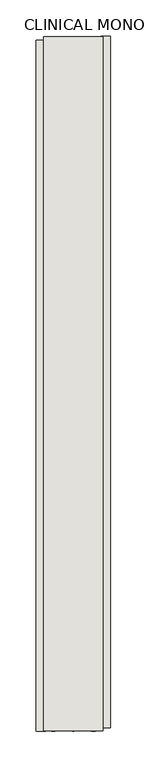
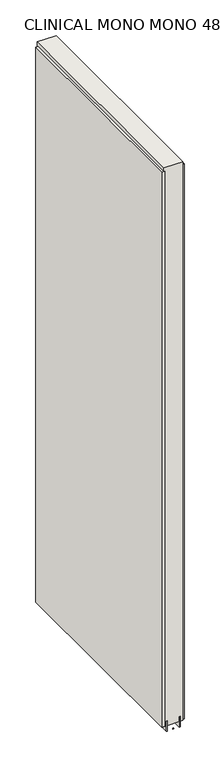
"""IFC4 building model written with IfcOpenShell, lengths in millimetres: wall geometry, CLINICAL MONO MONO 480748 : CLINICAL MONO MONO 480748."""

import ifcopenshell
import ifcopenshell.guid

model = None  # the IFC model being written
_history = None  # IfcOwnerHistory: only IFC2X3 demands one
_inside = {}  # id of a spatial element -> (the spatial element, [elements in it])
_under = {}  # id of a project, library or spatial element -> (it, [spatial elements below it])
_declared = {}  # id of a project -> (the project, [libraries it declares])
_typed = {}  # id of a type object -> (the type object, [elements of that type])
_made_of = {}  # id of a material, layer set ... -> (it, [elements and type objects made of it])


def new_model(schema):
    """Start an empty IFC model of exactly this schema.

    Asked for "IFC4X3", IfcOpenShell would pick the latest addendum, in which some entities
    have other attributes; the version numbers below select the first issue.
    IFC2X3 requires an IfcOwnerHistory on every rooted entity: one is made here for all.
    """
    global model, _history
    if schema == "IFC4X3":
        model = ifcopenshell.file(schema_version=(4, 3, 0, 0))
    else:
        model = ifcopenshell.file(schema=schema)
    _inside.clear()
    _under.clear()
    _declared.clear()
    _typed.clear()
    _made_of.clear()
    _history = None
    if model.schema == "IFC2X3":
        org = make("IfcOrganization", Name="unknown")
        user = make(
            "IfcPersonAndOrganization",
            ThePerson=make("IfcPerson", FamilyName="unknown"),
            TheOrganization=org,
        )
        app = make(
            "IfcApplication",
            ApplicationDeveloper=org,
            Version="unknown",
            ApplicationFullName="unknown",
            ApplicationIdentifier="unknown",
        )
        _history = make(
            "IfcOwnerHistory",
            OwningUser=user,
            OwningApplication=app,
            ChangeAction="ADDED",
            CreationDate=0,
        )
    return model


def make(cls, **values):
    """One entity of the class cls with the attributes given. An attribute that is None is left unset."""
    return model.create_entity(
        cls, **{name: value for name, value in values.items() if value is not None}
    )


def rooted(cls, **values):
    """An entity with a GlobalId (a new one), such as an element, a storey or a relation."""
    return make(cls, GlobalId=ifcopenshell.guid.new(), OwnerHistory=_history, **values)


def si_unit(unit_type, name, prefix=None):
    """IfcSIUnit, for example si_unit("LENGTHUNIT", "METRE", prefix="MILLI")."""
    return make("IfcSIUnit", UnitType=unit_type, Prefix=prefix, Name=name)


def assignment(units):
    """IfcUnitAssignment: the units of a project."""
    return None if units is None else make("IfcUnitAssignment", Units=units)


def point(xyz):
    """IfcCartesianPoint."""
    return None if xyz is None else make("IfcCartesianPoint", Coordinates=xyz)


def direction(xyz):
    """IfcDirection."""
    return None if xyz is None else make("IfcDirection", DirectionRatios=xyz)


def frame(location, z_axis=None, x_axis=None):
    """IfcAxis2Placement3D, a coordinate frame: its origin and axes. An axis left out is left unset."""
    return make(
        "IfcAxis2Placement3D",
        Location=point(location),
        Axis=direction(z_axis),
        RefDirection=direction(x_axis),
    )


def origin():
    """The frame at (0, 0, 0) with its axes left unset."""
    return frame((0.0, 0.0, 0.0))


def place(relative_to, where):
    """IfcLocalPlacement: puts the frame where relative to a parent placement (None: the world)."""
    return make(
        "IfcLocalPlacement", PlacementRelTo=relative_to, RelativePlacement=where
    )


def context(
    kind, dimensions, precision=None, world=None, true_north=None, identifier=None
):
    """IfcGeometricRepresentationContext, for example the 3D "Model" context."""
    return make(
        "IfcGeometricRepresentationContext",
        ContextIdentifier=identifier,
        ContextType=kind,
        CoordinateSpaceDimension=dimensions,
        Precision=precision,
        WorldCoordinateSystem=world,
        TrueNorth=true_north,
    )


def project(units=None, contexts=None):
    """IfcProject with its units and contexts."""
    return rooted(
        "IfcProject",
        Name="project",
        RepresentationContexts=contexts,
        UnitsInContext=assignment(units),
    )


def spatial(cls, under=None, at=None, **own):
    """A site, building, storey or space (cls), placed at a placement, below another one or the project."""
    s = rooted(cls, ObjectPlacement=at, **own)
    if under is not None:
        _under.setdefault(under.id(), (under, []))[1].append(s)
    return s


def polyline(points):
    """IfcPolyline through the points."""
    return make("IfcPolyline", Points=[point(p) for p in points])


def outline(outer, holes=None, kind="AREA"):
    """IfcArbitraryClosedProfileDef: a profile drawn as a closed curve; with holes, ...WithVoids."""
    if holes is None:
        return make("IfcArbitraryClosedProfileDef", ProfileType=kind, OuterCurve=outer)
    return make(
        "IfcArbitraryProfileDefWithVoids",
        ProfileType=kind,
        OuterCurve=outer,
        InnerCurves=holes,
    )


def extrude(swept, where, along, depth):
    """IfcExtrudedAreaSolid: the profile swept, set in the frame where, extruded along a direction by depth."""
    return make(
        "IfcExtrudedAreaSolid",
        SweptArea=swept,
        Position=where,
        ExtrudedDirection=direction(along),
        Depth=depth,
    )


def shape(context_of_items, identifier, shape_type, items):
    """IfcShapeRepresentation: the items that make up one representation, for example the "Body"."""
    return make(
        "IfcShapeRepresentation",
        ContextOfItems=context_of_items,
        RepresentationIdentifier=identifier,
        RepresentationType=shape_type,
        Items=items,
    )


def source(mapping_origin, context_of_items, identifier, shape_type, items):
    """IfcRepresentationMap: a shape defined once, which mapped items show again and again."""
    return make(
        "IfcRepresentationMap",
        MappingOrigin=mapping_origin,
        MappedRepresentation=shape(context_of_items, identifier, shape_type, items),
    )


def transform(
    local_origin,
    x_axis=None,
    y_axis=None,
    z_axis=None,
    scale=None,
    scale2=None,
    scale3=None,
    uniform=True,
):
    """IfcCartesianTransformationOperator3D, or its non-uniform kind. x_axis, y_axis, z_axis: its Axis1, 2, 3."""
    if uniform:
        return make(
            "IfcCartesianTransformationOperator3D",
            Axis1=direction(x_axis),
            Axis2=direction(y_axis),
            LocalOrigin=point(local_origin),
            Scale=scale,
            Axis3=direction(z_axis),
        )
    return make(
        "IfcCartesianTransformationOperator3DnonUniform",
        Axis1=direction(x_axis),
        Axis2=direction(y_axis),
        LocalOrigin=point(local_origin),
        Scale=scale,
        Axis3=direction(z_axis),
        Scale2=scale2,
        Scale3=scale3,
    )


def mapped(mapping_source, mapping_target):
    """IfcMappedItem: shows the shape of a source again, moved by a transform."""
    return make(
        "IfcMappedItem", MappingSource=mapping_source, MappingTarget=mapping_target
    )


def made_of(thing, what):
    """Note that an element or type object is made of a material, layer set ...; save() writes the relation."""
    if what is not None:
        _made_of.setdefault(what.id(), (what, []))[1].append(thing)
    return thing


def element(
    cls,
    number,
    at=None,
    inside=None,
    cuts=None,
    type_object=None,
    material=None,
    context=None,
    identifier="Body",
    shape_type=None,
    held_by="IfcProductDefinitionShape",
    body=None,
    shapes=None,
    **own,
):
    """One element of the class cls, such as IfcWall. Its Tag is "e" and its number.

    at: its placement. inside: the storey or other place that contains it. cuts: it is an
    opening in that element (IfcRelVoidsElement). A single representation is given by context,
    identifier, shape_type and body (its items); several are given by shapes. held_by: the class
    of the entity that holds the representations. save() writes the other relations.
    """
    e = rooted(cls, Tag="e%d" % number, ObjectPlacement=at, **own)
    if body is not None:
        shapes = [shape(context, identifier, shape_type, body)]
    if shapes is not None:
        e.Representation = make(held_by, Representations=shapes)
    if inside is not None:
        _inside.setdefault(inside.id(), (inside, []))[1].append(e)
    if cuts is not None:
        rooted(
            "IfcRelVoidsElement", RelatingBuildingElement=cuts, RelatedOpeningElement=e
        )
    if type_object is not None:
        _typed.setdefault(type_object.id(), (type_object, []))[1].append(e)
    return made_of(e, material)


def aggregate(whole, parts):
    """IfcRelAggregates: a whole, such as a stair, and the parts it consists of."""
    return rooted("IfcRelAggregates", RelatingObject=whole, RelatedObjects=parts)


def save(model, path):
    """Write the relations noted so far, then the file.

    IfcRelAggregates (storeys below a building ...), IfcRelContainedInSpatialStructure (elements
    in a storey), IfcRelDefinesByType, IfcRelAssociatesMaterial and IfcRelDeclares: one each for
    every whole, place, type object, material and project.
    """
    for whole, parts in _under.values():
        aggregate(whole, parts)
    for where, things in _inside.values():
        rooted(
            "IfcRelContainedInSpatialStructure",
            RelatedElements=things,
            RelatingStructure=where,
        )
    for kind, things in _typed.values():
        rooted("IfcRelDefinesByType", RelatedObjects=things, RelatingType=kind)
    for what, things in _made_of.values():
        rooted("IfcRelAssociatesMaterial", RelatedObjects=things, RelatingMaterial=what)
    for by, libraries in _declared.values():
        rooted("IfcRelDeclares", RelatingContext=by, RelatedDefinitions=libraries)
    model.write(path)


def clinical_mono_mono_480748_clinical_mono_mono_480748_3ee7a50d(model_context):
    return source(origin(), model_context, "Body", "SweptSolid", [
        extrude(outline(polyline([(61066.082211, -52765.6363024), (61066.082211, -52768.1763024), (61063.542211, -52768.1763024), (61063.542211, -52765.6363024), (61066.082211, -52765.6363024)])), frame((0.0, 0.0, 4419.6), z_axis=(0.0, 0.0, 1.0), x_axis=(1.0, 0.0, 0.0)), (0.0, 0.0, 1.0), 2.54),
        extrude(outline(polyline([(61014.012211, -52768.6401445), (61014.012211, -51821.5401083), (61026.712211, -51821.5401083), (61026.712211, -52768.6401445), (61014.012211, -52768.6401445)])), frame((0.0, 0.0, 4445.0), z_axis=(0.0, 0.0, 1.0), x_axis=(1.0, 0.0, 0.0)), (0.0, 0.0, 1.0), 2545.0498756),
        extrude(outline(polyline([(61115.612211, -51816.6163945), (61115.612211, -52763.7164307), (61102.912211, -52763.7164307), (61102.912211, -51816.6163945), (61115.612211, -51816.6163945)])), frame((0.0, 0.0, 4445.0), z_axis=(0.0, 0.0, 1.0), x_axis=(1.0, 0.0, 0.0)), (0.0, 0.0, 1.0), 2545.0498756),
        extrude(outline(polyline([(61039.7284664, -51817.0665968), (61039.7284664, -52768.1713494), (61034.649711, -52768.1713494), (61034.649711, -51817.0665968), (61039.7284664, -51817.0665968)])), frame((0.0, 0.0, 4418.6602), z_axis=(0.0, 0.0, 1.0), x_axis=(1.0, 0.0, 0.0)), (0.0, 0.0, 1.0), 47.625),
        extrude(outline(polyline([(61039.7284664, -51817.0665968), (61039.7284664, -52768.1713494), (61034.649711, -52768.1713494), (61034.649711, -51817.0665968), (61039.7284664, -51817.0665968)])), frame((0.0, 0.0, 4418.6602), z_axis=(0.0, 0.0, 1.0), x_axis=(1.0, 0.0, 0.0)), (0.0, 0.0, 1.0), 47.625),
        extrude(outline(polyline([(61089.8959556, -52768.1713494), (61089.8959556, -51817.0665968), (61094.974711, -51817.0665968), (61094.974711, -52768.1713494), (61089.8959556, -52768.1713494)])), frame((0.0, 0.0, 4418.6602), z_axis=(0.0, 0.0, 1.0), x_axis=(1.0, 0.0, 0.0)), (0.0, 0.0, 1.0), 47.625),
        extrude(outline(polyline([(61089.8959556, -52768.1713494), (61089.8959556, -51817.0665968), (61094.974711, -51817.0665968), (61094.974711, -52768.1713494), (61089.8959556, -52768.1713494)])), frame((0.0, 0.0, 4418.6602), z_axis=(0.0, 0.0, 1.0), x_axis=(1.0, 0.0, 0.0)), (0.0, 0.0, 1.0), 47.625),
        extrude(outline(polyline([(61024.1573266, -51817.0665968), (61105.4670954, -51817.0665968), (61105.4670954, -52768.1713494), (61024.1573266, -52768.1713494), (61024.1573266, -51817.0665968)])), frame((0.0, 0.0, 4445.0), z_axis=(0.0, 0.0, 1.0), x_axis=(1.0, 0.0, 0.0)), (0.0, 0.0, 1.0), 2562.4536762),
    ])


if __name__ == "__main__":
    model = new_model("IFC4")
    model_context = context("Model", 3, world=origin())
    ifc_project = project(units=[si_unit("LENGTHUNIT", "METRE", prefix="MILLI")], contexts=[model_context])
    site = spatial("IfcSite", under=ifc_project)
    building = spatial("IfcBuilding", under=site)
    placement = place(None, origin())
    clinical_mono_mono_480748_clinical_mono_mono_480748_shape = clinical_mono_mono_480748_clinical_mono_mono_480748_3ee7a50d(model_context)
    element("IfcWall", 1, ObjectType="CLINICAL MONO MONO 480748 : CLINICAL MONO MONO 480748", at=placement, inside=building, context=model_context, shape_type="MappedRepresentation", body=[
        mapped(clinical_mono_mono_480748_clinical_mono_mono_480748_shape, transform((0.0, 0.0, 0.0), x_axis=(1.0, 0.0, 0.0), y_axis=(0.0, 1.0, 0.0), z_axis=(0.0, 0.0, 1.0))),
    ])
    save(model, "model.ifc")
